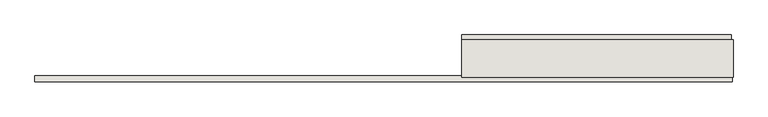
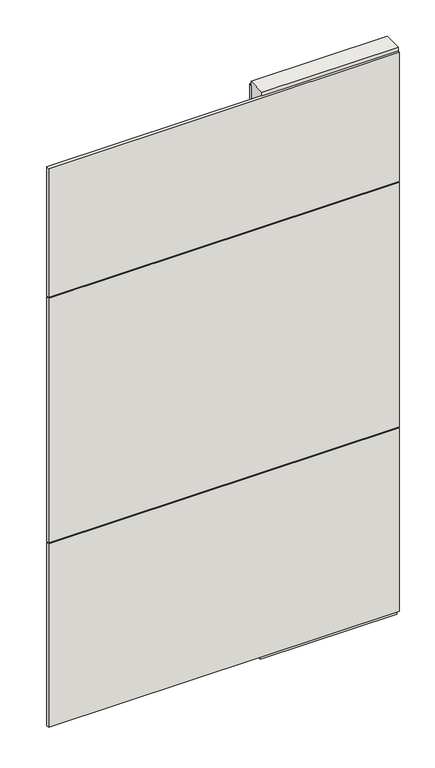
"""IFC4 building model written with IfcOpenShell, lengths in millimetres: wall geometry."""

from ifc_helpers import new_model, si_unit, frame, origin, place, context, project, spatial, polyline, outline, extrude, source, transform, mapped, element, save


def wall_4c0fbcbd(model_context):
    return source(origin(), model_context, "Body", "SweptSolid", [
        extrude(outline(polyline([(79601.7818172, -47723.144711), (79599.2418172, -47723.144711), (79599.2418172, -47720.604711), (79601.7818172, -47720.604711), (79601.7818172, -47723.144711)])), frame((0.0, 0.0, 4419.6), z_axis=(0.0, 0.0, 1.0), x_axis=(1.0, 0.0, 0.0)), (0.0, 0.0, 1.0), 2.54),
        extrude(outline(polyline([(79013.9462136, -47671.074711), (79597.3211708, -47671.074711), (79597.3211708, -47683.774711), (79013.9462136, -47683.774711), (79013.9462136, -47671.074711)])), frame((0.0, 0.0, 4445.0), z_axis=(0.0, 0.0, 1.0), x_axis=(1.0, 0.0, 0.0)), (0.0, 0.0, 1.0), 2545.0498756),
        extrude(outline(polyline([(79599.7830658, -47772.674711), (78089.3080578, -47772.674711), (78089.3080578, -47759.974711), (79599.7830658, -47759.974711), (79599.7830658, -47772.674711)])), frame((0.0, 0.0, 6402.8000722), z_axis=(0.0, 0.0, 1.0), x_axis=(1.0, 0.0, 0.0)), (0.0, 0.0, 1.0), 587.2498034),
        extrude(outline(polyline([(79599.7830658, -47772.674711), (78089.3080578, -47772.674711), (78089.3080578, -47759.974711), (79599.7830658, -47759.974711), (79599.7830658, -47772.674711)])), frame((0.0, 0.0, 5285.2000722), z_axis=(0.0, 0.0, 1.0), x_axis=(1.0, 0.0, 0.0)), (0.0, 0.0, 1.0), 1113.5999572),
        extrude(outline(polyline([(79599.7830658, -47772.674711), (78089.3080578, -47772.674711), (78089.3080578, -47759.974711), (79599.7830658, -47759.974711), (79599.7830658, -47772.674711)])), frame((0.0, 0.0, 4445.0), z_axis=(0.0, 0.0, 1.0), x_axis=(1.0, 0.0, 0.0)), (0.0, 0.0, 1.0), 836.200004),
        extrude(outline(polyline([(79601.7706666, -47696.78167), (79014.3956666, -47696.78167), (79014.3956666, -47691.6998158), (79601.7706666, -47691.6998158), (79601.7706666, -47696.78167)])), frame((0.0, 0.0, 4418.6602), z_axis=(0.0, 0.0, 1.0), x_axis=(1.0, 0.0, 0.0)), (0.0, 0.0, 1.0), 47.625),
        extrude(outline(polyline([(79601.7706666, -47696.78167), (79014.3956666, -47696.78167), (79014.3956666, -47691.6998158), (79601.7706666, -47691.6998158), (79601.7706666, -47696.78167)])), frame((0.0, 0.0, 4418.6602), z_axis=(0.0, 0.0, 1.0), x_axis=(1.0, 0.0, 0.0)), (0.0, 0.0, 1.0), 47.625),
        extrude(outline(polyline([(79014.3956666, -47746.9708508), (79601.7706666, -47746.9708508), (79601.7706666, -47752.0248158), (79014.3956666, -47752.0248158), (79014.3956666, -47746.9708508)])), frame((0.0, 0.0, 4418.6602), z_axis=(0.0, 0.0, 1.0), x_axis=(1.0, 0.0, 0.0)), (0.0, 0.0, 1.0), 47.625),
        extrude(outline(polyline([(79014.3956666, -47746.9708508), (79601.7706666, -47746.9708508), (79601.7706666, -47752.0248158), (79014.3956666, -47752.0248158), (79014.3956666, -47746.9708508)])), frame((0.0, 0.0, 4418.6602), z_axis=(0.0, 0.0, 1.0), x_axis=(1.0, 0.0, 0.0)), (0.0, 0.0, 1.0), 47.625),
        extrude(outline(polyline([(79601.7706666, -47681.2353206), (79601.7706666, -47762.514076), (79014.3956666, -47762.514076), (79014.3956666, -47681.2353206), (79601.7706666, -47681.2353206)])), frame((0.0, 0.0, 4445.0), z_axis=(0.0, 0.0, 1.0), x_axis=(1.0, 0.0, 0.0)), (0.0, 0.0, 1.0), 2562.4536762),
    ])


if __name__ == "__main__":
    model = new_model("IFC4")
    model_context = context("Model", 3, world=origin())
    ifc_project = project(units=[si_unit("LENGTHUNIT", "METRE", prefix="MILLI")], contexts=[model_context])
    site = spatial("IfcSite", under=ifc_project)
    building = spatial("IfcBuilding", under=site)
    placement = place(None, origin())
    wall_shape = wall_4c0fbcbd(model_context)
    element("IfcWall", 1, at=placement, inside=building, context=model_context, shape_type="MappedRepresentation", body=[
        mapped(wall_shape, transform((0.0, 0.0, 0.0), x_axis=(1.0, 0.0, 0.0), y_axis=(0.0, 1.0, 0.0), z_axis=(0.0, 0.0, 1.0))),
    ])
    save(model, "model.ifc")
